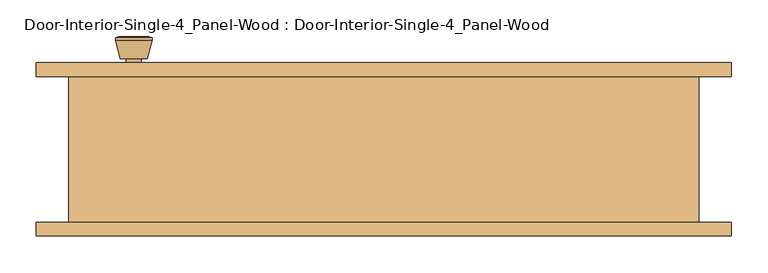
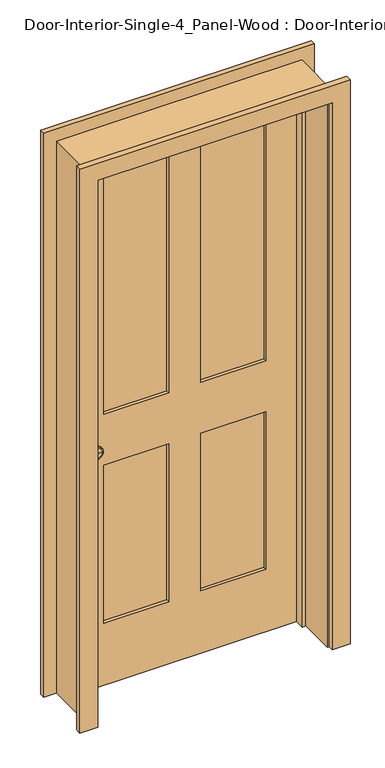
"""IFC4 building model written with IfcOpenShell, lengths in millimetres: door geometry, Door-Interior-Single-4_Panel-Wood : Door-Interior-Single-4_Panel-Wood."""

from ifc_helpers import new_model, si_unit, point, frame, frame_2d, origin, place, context, project, spatial, polyline, circle_curve, trimmed, segment, composite_curve, outline, extrude, faceted_brep, source, transform, mapped, element, save
from ifc_brep_helpers import plane_surface, cylinder_surface, revolved_surface, advanced_brep


def door_interior_single_4_panel_wood_door_interior_single_4_a9c5295f(model_context):
    return source(origin(), model_context, "Body", "SolidModel", [
        advanced_brep(
        [(-342.9, 55.9, 914.4), (-332.9, 55.9, 914.4), (-352.9, 55.9, 914.4), (-322.4241324, 6.9, 914.4), (-342.9, 6.9, 914.4), (-363.3758676, 6.9, 914.4), (-317.9, 8.7278681, 914.4), (-367.9, 8.7278681, 914.4), (-317.9, 12.1915463, 914.4), (-367.9, 12.1915463, 914.4), (-324.263764, 36.9, 914.4), (-361.536236, 36.9, 914.4), (-332.9, 36.9, 914.4), (-352.9, 36.9, 914.4)],
        [
            (0, 1),
            (1, 2, circle_curve(frame((-342.9, 55.9, 914.4), z_axis=(0.0, 1.0, 0.0), x_axis=(-1.0, 0.0, 0.0)), 10.0)),
            (2, 0),
            (2, 1, circle_curve(frame((-342.9, 55.9, 914.4), z_axis=(0.0, 1.0, 0.0), x_axis=(-1.0, 0.0, 0.0)), 10.0)),
            (3, 4),
            (4, 5),
            (5, 3, circle_curve(frame((-342.9, 6.9, 914.4), z_axis=(0.0, -1.0, 0.0), x_axis=(-1.0, 0.0, 0.0)), 20.4758676)),
            (3, 5, circle_curve(frame((-342.9, 6.9, 914.4), z_axis=(0.0, -1.0, 0.0), x_axis=(-1.0, 0.0, 0.0)), 20.4758676)),
            (6, 3),
            (5, 7),
            (7, 6, circle_curve(frame((-342.9, 8.7278681, 914.4), z_axis=(0.0, -1.0, 0.0), x_axis=(-1.0, 0.0, 0.0)), 25.0)),
            (6, 7, circle_curve(frame((-342.9, 8.7278681, 914.4), z_axis=(0.0, -1.0, 0.0), x_axis=(-1.0, 0.0, 0.0)), 25.0)),
            (8, 6),
            (7, 9),
            (9, 8, circle_curve(frame((-342.9, 12.1915463, 914.4), z_axis=(0.0, -1.0, 0.0), x_axis=(-1.0, 0.0, 0.0)), 25.0)),
            (8, 9, circle_curve(frame((-342.9, 12.1915463, 914.4), z_axis=(0.0, -1.0, 0.0), x_axis=(-1.0, 0.0, 0.0)), 25.0)),
            (10, 8),
            (9, 11),
            (11, 10, circle_curve(frame((-342.9, 36.9, 914.4), z_axis=(0.0, -1.0, 0.0), x_axis=(-1.0, 0.0, 0.0)), 18.636236)),
            (10, 11, circle_curve(frame((-342.9, 36.9, 914.4), z_axis=(0.0, -1.0, 0.0), x_axis=(-1.0, 0.0, 0.0)), 18.636236)),
            (12, 10),
            (11, 13),
            (13, 12, circle_curve(frame((-342.9, 36.9, 914.4), z_axis=(0.0, -1.0, 0.0), x_axis=(-1.0, 0.0, 0.0)), 10.0)),
            (12, 13, circle_curve(frame((-342.9, 36.9, 914.4), z_axis=(0.0, -1.0, 0.0), x_axis=(-1.0, 0.0, 0.0)), 10.0)),
            (1, 12),
            (13, 2),
        ],
        [
            plane_surface(frame((-342.9, 55.9, 914.4), z_axis=(0.0, 1.0, 0.0), x_axis=(-1.0, 0.0, 0.0))),
            plane_surface(frame((-342.9, 6.9, 914.4), z_axis=(0.0, -1.0, 0.0), x_axis=(-1.0, 0.0, 0.0))),
            revolved_surface(polyline([(-363.3758676, 6.9, 914.4), (-367.9, 8.7278681, 914.4)]), (-342.9, 55.9, 914.4), (0.0, 1.0, 0.0)),
            cylinder_surface(frame((-342.9, 55.9, 914.4), z_axis=(0.0, 1.0, 0.0), x_axis=(-1.0, 0.0, 0.0)), 25.0),
            revolved_surface(polyline([(-367.9, 12.1915463, 914.4), (-361.536236, 36.9, 914.4)]), (-342.9, 55.9, 914.4), (0.0, 1.0, 0.0)),
            plane_surface(frame((-342.9, 36.9, 914.4), z_axis=(0.0, 1.0, 0.0), x_axis=(-1.0, 0.0, 0.0))),
            cylinder_surface(frame((-342.9, 55.9, 914.4), z_axis=(0.0, 1.0, 0.0), x_axis=(-1.0, 0.0, 0.0)), 10.0),
        ],
        [
            (0, [[1, 2, 3]]),
            (0, [[-3, 4, -1]]),
            (1, [[5, 6, 7]]),
            (1, [[-6, -5, 8]]),
            (2, [[9, -7, 10, 11]]),
            (2, [[-10, -8, -9, 12]]),
            (3, [[13, -11, 14, 15]]),
            (3, [[-14, -12, -13, 16]]),
            (4, [[17, -15, 18, 19]]),
            (4, [[-18, -16, -17, 20]]),
            (5, [[21, -19, 22, 23]]),
            (5, [[-22, -20, -21, 24]]),
            (6, [[25, -23, 26, -2]]),
            (6, [[-26, -24, -25, -4]]),
        ],
    ),
        extrude(outline(composite_curve([segment(trimmed(circle_curve(frame_2d((914.4, -342.9)), 30.0), [point((914.4, -372.9))], [point((914.4, -312.9))], False, "CARTESIAN"), True, "CONTINUOUS"), segment(trimmed(circle_curve(frame_2d((914.4, -342.9)), 30.0), [point((914.4, -312.9))], [point((914.4, -372.9))], False, "CARTESIAN"), True, "CONTINUOUS")], self_intersect=False)), frame((0.0, 55.9, 0.0), z_axis=(0.0, 1.0, 0.0), x_axis=(0.0, 0.0, 1.0)), (0.0, 0.0, 1.0), 6.0),
        advanced_brep(
        [(-342.9, 102.825, 914.4), (-352.9, 102.825, 914.4), (-332.9, 102.825, 914.4), (-322.4241324, 151.825, 914.4), (-363.3758676, 151.825, 914.4), (-342.9, 151.825, 914.4), (-317.9, 149.9971319, 914.4), (-367.9, 149.9971319, 914.4), (-317.9, 146.5334537, 914.4), (-367.9, 146.5334537, 914.4), (-324.263764, 121.825, 914.4), (-361.536236, 121.825, 914.4), (-332.9, 121.825, 914.4), (-352.9, 121.825, 914.4)],
        [
            (0, 1),
            (1, 2, circle_curve(frame((-342.9, 102.825, 914.4), z_axis=(0.0, -1.0, 0.0), x_axis=(-1.0, 0.0, 0.0)), 10.0)),
            (2, 0),
            (2, 1, circle_curve(frame((-342.9, 102.825, 914.4), z_axis=(0.0, -1.0, 0.0), x_axis=(-1.0, 0.0, 0.0)), 10.0)),
            (3, 4, circle_curve(frame((-342.9, 151.825, 914.4), z_axis=(0.0, 1.0, 0.0), x_axis=(-1.0, 0.0, 0.0)), 20.4758676)),
            (4, 5),
            (5, 3),
            (4, 3, circle_curve(frame((-342.9, 151.825, 914.4), z_axis=(0.0, 1.0, 0.0), x_axis=(-1.0, 0.0, 0.0)), 20.4758676)),
            (6, 7, circle_curve(frame((-342.9, 149.9971319, 914.4), z_axis=(0.0, 1.0, 0.0), x_axis=(-1.0, 0.0, 0.0)), 25.0)),
            (7, 4),
            (3, 6),
            (7, 6, circle_curve(frame((-342.9, 149.9971319, 914.4), z_axis=(0.0, 1.0, 0.0), x_axis=(-1.0, 0.0, 0.0)), 25.0)),
            (8, 9, circle_curve(frame((-342.9, 146.5334537, 914.4), z_axis=(0.0, 1.0, 0.0), x_axis=(-1.0, 0.0, 0.0)), 25.0)),
            (9, 7),
            (6, 8),
            (9, 8, circle_curve(frame((-342.9, 146.5334537, 914.4), z_axis=(0.0, 1.0, 0.0), x_axis=(-1.0, 0.0, 0.0)), 25.0)),
            (10, 11, circle_curve(frame((-342.9, 121.825, 914.4), z_axis=(0.0, 1.0, 0.0), x_axis=(-1.0, 0.0, 0.0)), 18.636236)),
            (11, 9),
            (8, 10),
            (11, 10, circle_curve(frame((-342.9, 121.825, 914.4), z_axis=(0.0, 1.0, 0.0), x_axis=(-1.0, 0.0, 0.0)), 18.636236)),
            (12, 13, circle_curve(frame((-342.9, 121.825, 914.4), z_axis=(0.0, 1.0, 0.0), x_axis=(-1.0, 0.0, 0.0)), 10.0)),
            (13, 11),
            (10, 12),
            (13, 12, circle_curve(frame((-342.9, 121.825, 914.4), z_axis=(0.0, 1.0, 0.0), x_axis=(-1.0, 0.0, 0.0)), 10.0)),
            (1, 13),
            (12, 2),
        ],
        [
            plane_surface(frame((-342.9, 102.825, 914.4), z_axis=(0.0, -1.0, 0.0), x_axis=(-1.0, 0.0, 0.0))),
            plane_surface(frame((-342.9, 151.825, 914.4), z_axis=(0.0, 1.0, 0.0), x_axis=(-1.0, 0.0, 0.0))),
            revolved_surface(polyline([(-363.3758676, 151.825, 914.4), (-367.9, 149.9971319, 914.4)]), (-342.9, 102.825, 914.4), (0.0, -1.0, 0.0)),
            cylinder_surface(frame((-342.9, 102.825, 914.4), z_axis=(0.0, -1.0, 0.0), x_axis=(-1.0, 0.0, 0.0)), 25.0),
            revolved_surface(polyline([(-367.9, 146.5334537, 914.4), (-361.536236, 121.825, 914.4)]), (-342.9, 102.825, 914.4), (0.0, -1.0, 0.0)),
            plane_surface(frame((-342.9, 121.825, 914.4), z_axis=(0.0, -1.0, 0.0), x_axis=(-1.0, 0.0, 0.0))),
            cylinder_surface(frame((-342.9, 102.825, 914.4), z_axis=(0.0, -1.0, 0.0), x_axis=(-1.0, 0.0, 0.0)), 10.0),
        ],
        [
            (0, [[1, 2, 3]]),
            (0, [[-3, 4, -1]]),
            (1, [[5, 6, 7]]),
            (1, [[8, -7, -6]]),
            (2, [[9, 10, -5, 11]]),
            (2, [[12, -11, -8, -10]]),
            (3, [[13, 14, -9, 15]]),
            (3, [[16, -15, -12, -14]]),
            (4, [[17, 18, -13, 19]]),
            (4, [[20, -19, -16, -18]]),
            (5, [[21, 22, -17, 23]]),
            (5, [[24, -23, -20, -22]]),
            (6, [[-2, 25, -21, 26]]),
            (6, [[-4, -26, -24, -25]]),
        ],
    ),
        extrude(outline(composite_curve([segment(trimmed(circle_curve(frame_2d((914.4, -342.9)), 30.0), [point((914.4, -372.9))], [point((914.4, -312.9))], False, "CARTESIAN"), True, "CONTINUOUS"), segment(trimmed(circle_curve(frame_2d((914.4, -342.9)), 30.0), [point((914.4, -312.9))], [point((914.4, -372.9))], False, "CARTESIAN"), True, "CONTINUOUS")], self_intersect=False)), frame((0.0, 96.825, 0.0), z_axis=(0.0, 1.0, 0.0), x_axis=(0.0, 0.0, 1.0)), (0.0, 0.0, 1.0), 6.0),
        extrude(outline(polyline([(285.75, 73.5416667), (57.15, 73.5416667), (57.15, 85.1833333), (285.75, 85.1833333), (285.75, 73.5416667)])), frame((0.0, 0.0, 1009.65), z_axis=(0.0, 0.0, 1.0), x_axis=(1.0, 0.0, 0.0)), (0.0, 0.0, 1.0), 903.2875),
        extrude(outline(polyline([(-57.15, 73.5416667), (-285.75, 73.5416667), (-285.75, 85.1833333), (-57.15, 85.1833333), (-57.15, 73.5416667)])), frame((0.0, 0.0, 1009.65), z_axis=(0.0, 0.0, 1.0), x_axis=(1.0, 0.0, 0.0)), (0.0, 0.0, 1.0), 903.2875),
        extrude(outline(polyline([(285.75, 73.5416667), (57.15, 73.5416667), (57.15, 85.1833333), (285.75, 85.1833333), (285.75, 73.5416667)])), frame((0.0, 0.0, 231.775), z_axis=(0.0, 0.0, 1.0), x_axis=(1.0, 0.0, 0.0)), (0.0, 0.0, 1.0), 587.375),
        extrude(outline(polyline([(-57.15, 73.5416667), (-285.75, 73.5416667), (-285.75, 85.1833333), (-57.15, 85.1833333), (-57.15, 73.5416667)])), frame((0.0, 0.0, 231.775), z_axis=(0.0, 0.0, 1.0), x_axis=(1.0, 0.0, 0.0)), (0.0, 0.0, 1.0), 587.375),
        extrude(outline(polyline([(2032.0, -406.4), (0.0, -406.4), (0.0, 406.4), (2032.0, 406.4), (2032.0, -406.4)]), holes=[polyline([(1912.9375, 57.15), (1912.9375, 285.75), (1009.65, 285.75), (1009.65, 57.15), (1912.9375, 57.15)]), polyline([(1009.65, -57.15), (1009.65, -285.75), (1912.9375, -285.75), (1912.9375, -57.15), (1009.65, -57.15)]), polyline([(819.15, 57.15), (819.15, 285.75), (231.775, 285.75), (231.775, 57.15), (819.15, 57.15)]), polyline([(231.775, -57.15), (231.775, -285.75), (819.15, -285.75), (819.15, -57.15), (231.775, -57.15)])]), frame((0.0, 61.9, 0.0), z_axis=(0.0, 1.0, 0.0), x_axis=(0.0, 0.0, 1.0)), (0.0, 0.0, 1.0), 34.925),
        faceted_brep([(431.8, 96.825, 0.0), (431.8, -103.175, 0.0), (406.4, -103.175, 0.0), (406.4, 26.975, 0.0), (393.7, 26.975, 0.0), (393.7, 61.9, 0.0), (406.4, 61.9, 0.0), (406.4, 96.825, 0.0), (431.8, 96.825, 2057.4), (431.8, -103.175, 2057.4), (-431.8, -103.175, 2057.4), (-431.8, -103.175, 0.0), (-406.4, -103.175, 0.0), (-406.4, -103.175, 2032.0), (406.4, -103.175, 2032.0), (406.4, 26.975, 2032.0), (-406.4, 26.975, 2032.0), (-406.4, 26.975, 0.0), (-393.7, 26.975, 0.0), (-393.7, 26.975, 2019.3), (393.7, 26.975, 2019.3), (393.7, 61.9, 2019.3), (-393.7, 61.9, 2019.3), (-393.7, 61.9, 0.0), (-406.4, 61.9, 0.0), (-406.4, 61.9, 2032.0), (406.4, 61.9, 2032.0), (406.4, 96.825, 2032.0), (-406.4, 96.825, 2032.0), (-406.4, 96.825, 0.0), (-431.8, 96.825, 0.0), (-431.8, 96.825, 2057.4)], [[[0, 1, 2, 3, 4, 5, 6, 7]], [[1, 0, 8, 9]], [[2, 1, 9, 10, 11, 12, 13, 14]], [[3, 2, 14, 15]], [[4, 3, 15, 16, 17, 18, 19, 20]], [[5, 4, 20, 21]], [[6, 5, 21, 22, 23, 24, 25, 26]], [[7, 6, 26, 27]], [[0, 7, 27, 28, 29, 30, 31, 8]], [[9, 8, 31, 10]], [[15, 14, 13, 16]], [[21, 20, 19, 22]], [[27, 26, 25, 28]], [[30, 29, 24, 23, 18, 17, 12, 11]], [[10, 31, 30, 11]], [[16, 13, 12, 17]], [[22, 19, 18, 23]], [[28, 25, 24, 29]]]),
        extrude(outline(polyline([(0.0, 412.75), (0.0, 476.25), (2101.85, 476.25), (2101.85, -476.25), (0.0, -476.25), (0.0, -412.75), (2038.35, -412.75), (2038.35, 412.75), (0.0, 412.75)])), frame((0.0, -122.225, 0.0), z_axis=(0.0, 1.0, 0.0), x_axis=(0.0, 0.0, 1.0)), (0.0, 0.0, 1.0), 19.05),
        extrude(outline(polyline([(0.0, 412.75), (0.0, 476.25), (2101.85, 476.25), (2101.85, -476.25), (0.0, -476.25), (0.0, -412.75), (2038.35, -412.75), (2038.35, 412.75), (0.0, 412.75)])), frame((0.0, 96.825, 0.0), z_axis=(0.0, 1.0, 0.0), x_axis=(0.0, 0.0, 1.0)), (0.0, 0.0, 1.0), 19.05),
    ])


if __name__ == "__main__":
    model = new_model("IFC4")
    model_context = context("Model", 3, world=origin())
    ifc_project = project(units=[si_unit("LENGTHUNIT", "METRE", prefix="MILLI")], contexts=[model_context])
    site = spatial("IfcSite", under=ifc_project)
    building = spatial("IfcBuilding", under=site)
    placement = place(None, origin())
    door_interior_single_4_panel_wood_door_interior_single_4_shape = door_interior_single_4_panel_wood_door_interior_single_4_a9c5295f(model_context)
    element("IfcDoor", 1, ObjectType="Door-Interior-Single-4_Panel-Wood : Door-Interior-Single-4_Panel-Wood", at=placement, inside=building, context=model_context, shape_type="MappedRepresentation", body=[
        mapped(door_interior_single_4_panel_wood_door_interior_single_4_shape, transform((0.0, 0.0, 0.0), x_axis=(1.0, 0.0, 0.0), y_axis=(0.0, 1.0, 0.0), z_axis=(0.0, 0.0, 1.0))),
    ])
    save(model, "model.ifc")
